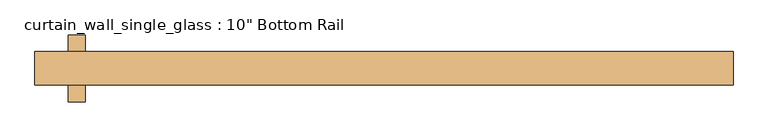
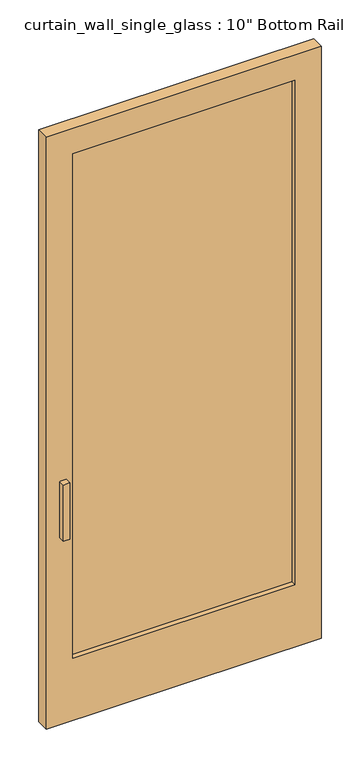
"""IFC4 building model written with IfcOpenShell, lengths in millimetres: door geometry."""

from ifc_helpers import new_model, si_unit, frame, origin, place, context, project, spatial, polyline, outline, extrude, source, transform, mapped, element, save


def door_7897afc1(model_context):
    return source(origin(), model_context, "Body", "SweptSolid", [
        extrude(outline(polyline([(427.0375, 6.35), (427.0375, -6.35), (-427.0375, -6.35), (-427.0375, 6.35), (427.0375, 6.35)])), frame((0.0, 0.0, 254.0), z_axis=(0.0, 0.0, 1.0), x_axis=(1.0, 0.0, 0.0)), (0.0, 0.0, 1.0), 2051.05),
        extrude(outline(polyline([(2406.65, -528.5467903), (0.0, -528.5467903), (0.0, 528.6375), (2406.65, 528.6375), (2406.65, -528.5467903)]), holes=[polyline([(2305.05, 427.0375), (254.0, 427.0375), (254.0, -427.0375), (2305.05, -427.0375), (2305.05, 427.0375)])]), frame((0.0, -25.4, 0.0), z_axis=(0.0, 1.0, 0.0), x_axis=(0.0, 0.0, 1.0)), (0.0, 0.0, 1.0), 50.8),
        extrude(outline(polyline([(-452.4375001, 50.8), (-452.4375001, 0.0), (-477.8375001, 0.0), (-477.8375001, 50.8), (-452.4375001, 50.8)])), frame((0.0, 0.0, 762.0), z_axis=(0.0, 0.0, 1.0), x_axis=(1.0, 0.0, 0.0)), (0.0, 0.0, 1.0), 228.6),
        extrude(outline(polyline([(-477.8375001, -50.8), (-477.8375001, 0.0), (-452.4375001, 0.0), (-452.4375001, -50.8), (-477.8375001, -50.8)])), frame((0.0, 0.0, 762.0), z_axis=(0.0, 0.0, 1.0), x_axis=(1.0, 0.0, 0.0)), (0.0, 0.0, 1.0), 228.6),
    ])


if __name__ == "__main__":
    model = new_model("IFC4")
    model_context = context("Model", 3, world=origin())
    ifc_project = project(units=[si_unit("LENGTHUNIT", "METRE", prefix="MILLI")], contexts=[model_context])
    site = spatial("IfcSite", under=ifc_project)
    building = spatial("IfcBuilding", under=site)
    placement = place(None, origin())
    door_shape = door_7897afc1(model_context)
    element("IfcDoor", 1, ObjectType="curtain_wall_single_glass : 10\" Bottom Rail", at=placement, inside=building, context=model_context, shape_type="MappedRepresentation", body=[
        mapped(door_shape, transform((0.0, 0.0, 0.0), x_axis=(1.0, 0.0, 0.0), y_axis=(0.0, 1.0, 0.0), z_axis=(0.0, 0.0, 1.0))),
    ])
    save(model, "model.ifc")
